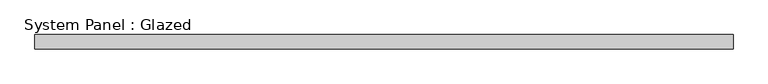
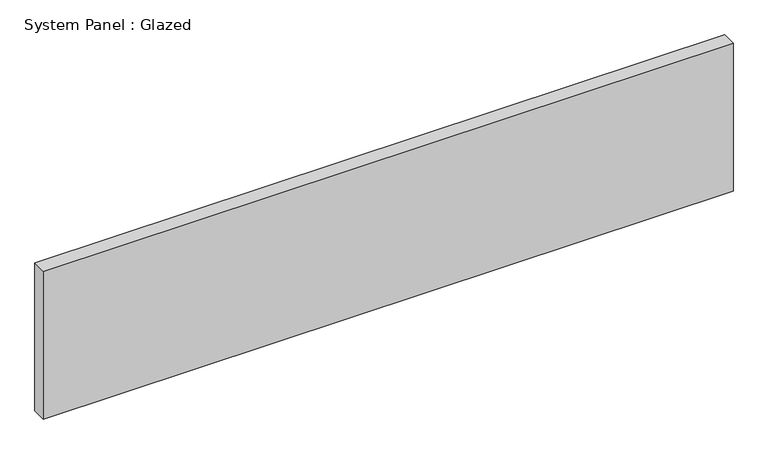
"""IFC4 building model written with IfcOpenShell, lengths in millimetres: plate geometry, System Panel : Glazed."""

from ifc_helpers import new_model, si_unit, origin, origin_with_axes, place, context, project, spatial, polyline, outline, extrude, source, transform, mapped, element, save


def system_panel_glazed_1fd7aa6f(model_context):
    return source(origin(), model_context, "Body", "SweptSolid", [
        extrude(outline(polyline([(615.95, -44.45), (-615.95, -44.45), (-615.95, -19.05), (615.95, -19.05), (615.95, -44.45)])), origin_with_axes(), (0.0, 0.0, 1.0), 279.4),
    ])


if __name__ == "__main__":
    model = new_model("IFC4")
    model_context = context("Model", 3, world=origin())
    ifc_project = project(units=[si_unit("LENGTHUNIT", "METRE", prefix="MILLI")], contexts=[model_context])
    site = spatial("IfcSite", under=ifc_project)
    building = spatial("IfcBuilding", under=site)
    placement = place(None, origin())
    system_panel_glazed_shape = system_panel_glazed_1fd7aa6f(model_context)
    element("IfcPlate", 1, ObjectType="System Panel : Glazed", at=placement, inside=building, context=model_context, shape_type="MappedRepresentation", body=[
        mapped(system_panel_glazed_shape, transform((0.0, 0.0, 0.0), x_axis=(1.0, 0.0, 0.0), y_axis=(0.0, 1.0, 0.0), z_axis=(0.0, 0.0, 1.0))),
    ])
    save(model, "model.ifc")
